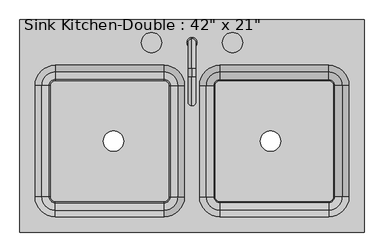
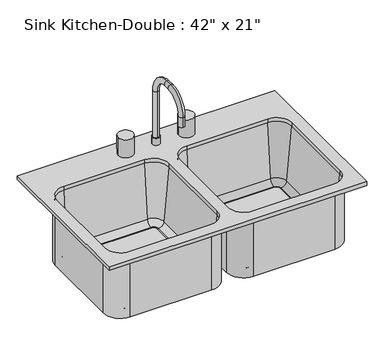
"""IFC4 building model written with IfcOpenShell, lengths in millimetres: flow terminal geometry."""

from ifc_helpers import new_model, si_unit, point, frame, frame_2d, origin, place, context, project, spatial, polyline, circle_curve, ellipse_curve, trimmed, segment, composite_curve, outline, extrude, source, transform, mapped, element, save
from ifc_brep_helpers import plane_surface, cylinder_surface, revolved_surface, advanced_brep


def flow_terminal_63cd025e(model_context):
    return source(origin(), model_context, "Body", "SolidModel", [
        advanced_brep(
        [(2.9892406, 211.8954011, 927.1), (28.3892406, 211.8954011, 927.1), (15.6892406, 221.4204011, 1114.425), (15.6892406, 202.3704011, 1114.425), (15.6892406, 202.3704011, 952.5), (15.6892406, 221.4204011, 952.5), (15.6892406, 148.3954011, 1187.45), (15.6892406, 148.3954011, 1168.4), (15.6892406, 126.1704011, 1187.45), (15.6892406, 126.1704011, 1168.4), (15.6892406, 53.1454011, 1114.425), (15.6892406, 72.1954011, 1114.425), (15.6892406, 53.1454011, 1079.5), (15.6892406, 72.1954011, 1079.5), (2.9892406, 211.8954011, 952.5), (28.3892406, 211.8954011, 952.5)],
        [
            (0, 1, circle_curve(frame((15.6892406, 211.8954011, 927.1), z_axis=(0.0, 0.0, -1.0), x_axis=(1.0, 0.0, 0.0)), 12.7)),
            (1, 0, circle_curve(frame((15.6892406, 211.8954011, 927.1), z_axis=(0.0, 0.0, -1.0), x_axis=(1.0, 0.0, 0.0)), 12.7)),
            (2, 3, circle_curve(frame((15.6892406, 211.8954011, 1114.425), z_axis=(0.0, 0.0, -1.0), x_axis=(0.0, -1.0, 0.0)), 9.525)),
            (3, 4),
            (4, 5, circle_curve(frame((15.6892406, 211.8954011, 952.5), z_axis=(0.0, 0.0, 1.0), x_axis=(0.0, -1.0, 0.0)), 9.525)),
            (5, 2),
            (3, 2, circle_curve(frame((15.6892406, 211.8954011, 1114.425), z_axis=(0.0, 0.0, -1.0), x_axis=(0.0, -1.0, 0.0)), 9.525)),
            (5, 4, circle_curve(frame((15.6892406, 211.8954011, 952.5), z_axis=(0.0, 0.0, 1.0), x_axis=(0.0, -1.0, 0.0)), 9.525)),
            (2, 6, circle_curve(frame((15.6892406, 148.3954011, 1114.425), z_axis=(1.0, 0.0, 0.0), x_axis=(0.0, 1.0, 0.0)), 73.025)),
            (6, 7, circle_curve(frame((15.6892406, 148.3954011, 1177.925), z_axis=(0.0, 1.0, 0.0), x_axis=(0.0, 0.0, -1.0)), 9.525)),
            (7, 3, circle_curve(frame((15.6892406, 148.3954011, 1114.425), z_axis=(-1.0, 0.0, 0.0), x_axis=(0.0, 1.0, 0.0)), 53.975)),
            (7, 6, circle_curve(frame((15.6892406, 148.3954011, 1177.925), z_axis=(0.0, 1.0, 0.0), x_axis=(0.0, 0.0, -1.0)), 9.525)),
            (6, 8),
            (8, 9, circle_curve(frame((15.6892406, 126.1704011, 1177.925), z_axis=(0.0, 1.0, 0.0), x_axis=(0.0, 0.0, -1.0)), 9.525)),
            (9, 7),
            (9, 8, circle_curve(frame((15.6892406, 126.1704011, 1177.925), z_axis=(0.0, 1.0, 0.0), x_axis=(0.0, 0.0, -1.0)), 9.525)),
            (8, 10, circle_curve(frame((15.6892406, 126.1704011, 1114.425), z_axis=(1.0, 0.0, 0.0), x_axis=(0.0, 0.0, 1.0)), 73.025)),
            (10, 11, circle_curve(frame((15.6892406, 62.6704011, 1114.425), z_axis=(0.0, 0.0, 1.0), x_axis=(0.0, 1.0, 0.0)), 9.525)),
            (11, 9, circle_curve(frame((15.6892406, 126.1704011, 1114.425), z_axis=(-1.0, 0.0, 0.0), x_axis=(0.0, 0.0, 1.0)), 53.975)),
            (11, 10, circle_curve(frame((15.6892406, 62.6704011, 1114.425), z_axis=(0.0, 0.0, 1.0), x_axis=(0.0, 1.0, 0.0)), 9.525)),
            (12, 13, circle_curve(frame((15.6892406, 62.6704011, 1079.5), z_axis=(0.0, 0.0, -1.0), x_axis=(0.0, 1.0, 0.0)), 9.525)),
            (13, 12, circle_curve(frame((15.6892406, 62.6704011, 1079.5), z_axis=(0.0, 0.0, -1.0), x_axis=(0.0, 1.0, 0.0)), 9.525)),
            (10, 12),
            (13, 11),
            (14, 15, circle_curve(frame((15.6892406, 211.8954011, 952.5), z_axis=(0.0, 0.0, 1.0), x_axis=(1.0, 0.0, 0.0)), 12.7)),
            (15, 14, circle_curve(frame((15.6892406, 211.8954011, 952.5), z_axis=(0.0, 0.0, 1.0), x_axis=(1.0, 0.0, 0.0)), 12.7)),
            (14, 0),
            (1, 15),
        ],
        [
            plane_surface(frame((15.6892406, 202.3704011, 927.1), z_axis=(0.0, 0.0, -1.0), x_axis=(1.0, 0.0, 0.0))),
            cylinder_surface(frame((15.6892406, 211.8954011, 927.1), z_axis=(0.0, 0.0, -1.0), x_axis=(0.0, -1.0, 0.0)), 9.525),
            revolved_surface(trimmed(ellipse_curve(frame((15.6892406, 211.8954011, 1114.425), z_axis=(0.0, 0.0, -1.0), x_axis=(0.0, -1.0, 0.0)), 9.525, 9.525), [point((15.6892406, 221.4204011, 1114.425))], [point((15.6892406, 202.3704011, 1114.425))], True, "CARTESIAN"), (15.6892406, 148.3954011, 1114.425), (1.0, 0.0, 0.0)),
            revolved_surface(trimmed(ellipse_curve(frame((15.6892406, 211.8954011, 1114.425), z_axis=(0.0, 0.0, -1.0), x_axis=(0.0, -1.0, 0.0)), 9.525, 9.525), [point((15.6892406, 202.3704011, 1114.425))], [point((15.6892406, 221.4204011, 1114.425))], True, "CARTESIAN"), (15.6892406, 148.3954011, 1114.425), (1.0, 0.0, 0.0)),
            cylinder_surface(frame((15.6892406, 148.3954011, 1177.925), z_axis=(0.0, 1.0, 0.0), x_axis=(0.0, 0.0, -1.0)), 9.525),
            revolved_surface(trimmed(ellipse_curve(frame((15.6892406, 126.1704011, 1177.925), z_axis=(0.0, 1.0, 0.0), x_axis=(0.0, 0.0, -1.0)), 9.525, 9.525), [point((15.6892406, 126.1704011, 1187.45))], [point((15.6892406, 126.1704011, 1168.4))], True, "CARTESIAN"), (15.6892406, 126.1704011, 1114.425), (1.0, 0.0, 0.0)),
            revolved_surface(trimmed(ellipse_curve(frame((15.6892406, 126.1704011, 1177.925), z_axis=(0.0, 1.0, 0.0), x_axis=(0.0, 0.0, -1.0)), 9.525, 9.525), [point((15.6892406, 126.1704011, 1168.4))], [point((15.6892406, 126.1704011, 1187.45))], True, "CARTESIAN"), (15.6892406, 126.1704011, 1114.425), (1.0, 0.0, 0.0)),
            plane_surface(frame((15.6892406, 53.1454011, 1079.5), z_axis=(0.0, 0.0, -1.0), x_axis=(-1.0, 0.0, 0.0))),
            cylinder_surface(frame((15.6892406, 62.6704011, 1114.425), z_axis=(0.0, 0.0, 1.0), x_axis=(0.0, 1.0, 0.0)), 9.525),
            plane_surface(frame((28.3892406, 211.8954011, 952.5), z_axis=(0.0, 0.0, 1.0), x_axis=(0.0, 1.0, 0.0))),
            cylinder_surface(frame((15.6892406, 211.8954011, 927.1), z_axis=(0.0, 0.0, 1.0), x_axis=(1.0, 0.0, 0.0)), 12.7),
        ],
        [
            (0, [[1, 2]]),
            (1, [[3, 4, 5, 6]]),
            (1, [[7, -6, 8, -4]]),
            (2, [[-3, 9, 10, 11]]),
            (3, [[-7, -11, 12, -9]]),
            (4, [[-10, 13, 14, 15]]),
            (4, [[-12, -15, 16, -13]]),
            (5, [[-14, 17, 18, 19]]),
            (6, [[-16, -19, 20, -17]]),
            (7, [[21, 22]]),
            (8, [[-18, 23, -22, 24]]),
            (8, [[-20, -24, -21, -23]]),
            (9, [[25, 26], [-5, -8]]),
            (10, [[-25, 27, -2, 28]]),
            (10, [[-26, -28, -1, -27]]),
        ],
    ),
        advanced_brep(
        [(447.4892406, 269.0454011, 927.1), (-416.1107594, 269.0454011, 927.1), (-416.1107594, -264.3545989, 927.1), (447.4892406, -264.3545989, 927.1), (-54.1607594, 154.7454011, 927.1), (-3.3607594, 103.9454011, 927.1), (-3.3607594, -175.4545989, 927.1), (-54.1607594, -226.2545989, 927.1), (-327.2107594, -226.2545989, 927.1), (-378.0107594, -175.4545989, 927.1), (-378.0107594, 103.9454011, 927.1), (-327.2107594, 154.7454011, 927.1), (85.5392406, -226.2545989, 927.1), (34.7392406, -175.4545989, 927.1), (34.7392406, 103.9454011, 927.1), (85.5392406, 154.7454011, 927.1), (358.5892406, 154.7454011, 927.1), (409.3892406, 103.9454011, 927.1), (409.3892406, -175.4545989, 927.1), (358.5892406, -226.2545989, 927.1), (447.4892406, 269.0454011, 914.4), (447.4892406, -264.3545989, 914.4), (-416.1107594, -264.3545989, 914.4), (-416.1107594, 269.0454011, 914.4), (85.5392406, 161.0954011, 914.4), (28.3892406, 103.9454011, 914.4), (28.3892406, -175.4545989, 914.4), (85.5392406, -232.6045989, 914.4), (358.5892406, -232.6045989, 914.4), (415.7392406, -175.4545989, 914.4), (415.7392406, 103.9454011, 914.4), (358.5892406, 161.0954011, 914.4), (2.9892406, 103.9454011, 914.4), (-54.1607594, 161.0954011, 914.4), (-327.2107594, 161.0954011, 914.4), (-384.3607594, 103.9454011, 914.4), (-384.3607594, -175.4545989, 914.4), (-327.2107594, -232.6045989, 914.4), (-54.1607594, -232.6045989, 914.4), (2.9892406, -175.4545989, 914.4), (-54.1607594, 154.7454011, 914.4), (-3.3607594, 103.9454011, 914.4), (-3.3607594, -175.4545989, 914.4), (-54.1607594, -226.2545989, 914.4), (-327.2107594, -226.2545989, 914.4), (-378.0107594, -175.4545989, 914.4), (-378.0107594, 103.9454011, 914.4), (-327.2107594, 154.7454011, 914.4), (85.5392406, -226.2545989, 914.4), (34.7392406, -175.4545989, 914.4), (34.7392406, 103.9454011, 914.4), (85.5392406, 154.7454011, 914.4), (358.5892406, 154.7454011, 914.4), (409.3892406, 103.9454011, 914.4), (409.3892406, -175.4545989, 914.4), (358.5892406, -226.2545989, 914.4), (51.2733134, 103.9454011, 725.4146831), (85.5392406, 138.2113283, 725.4146831), (70.2508224, 103.9454011, 708.025), (85.5392406, 119.2338193, 708.025), (72.8392406, 103.9454011, 708.025), (85.5392406, 116.6454011, 708.025), (72.8392406, 103.9454011, 698.5), (85.5392406, 116.6454011, 698.5), (28.3892406, 103.9454011, 698.5), (85.5392406, 161.0954011, 698.5), (51.2733134, -175.4545989, 725.4146831), (70.2508224, -175.4545989, 708.025), (72.8392406, -175.4545989, 708.025), (72.8392406, -175.4545989, 698.5), (28.3892406, -175.4545989, 698.5), (85.5392406, -209.7205261, 725.4146831), (85.5392406, -190.7430171, 708.025), (85.5392406, -188.1545989, 708.025), (85.5392406, -188.1545989, 698.5), (85.5392406, -232.6045989, 698.5), (358.5892406, -209.7205261, 725.4146831), (358.5892406, -190.7430171, 708.025), (358.5892406, -188.1545989, 708.025), (358.5892406, -188.1545989, 698.5), (358.5892406, -232.6045989, 698.5), (392.8551678, -175.4545989, 725.4146831), (373.8776588, -175.4545989, 708.025), (371.2892406, -175.4545989, 708.025), (371.2892406, -175.4545989, 698.5), (415.7392406, -175.4545989, 698.5), (392.8551678, 103.9454011, 725.4146831), (373.8776588, 103.9454011, 708.025), (371.2892406, 103.9454011, 708.025), (371.2892406, 103.9454011, 698.5), (415.7392406, 103.9454011, 698.5), (358.5892406, 138.2113283, 725.4146831), (358.5892406, 119.2338193, 708.025), (358.5892406, 116.6454011, 708.025), (358.5892406, 116.6454011, 698.5), (358.5892406, 161.0954011, 698.5), (2.9892406, 103.9454011, 698.5), (-54.1607594, 161.0954011, 698.5), (-41.4607594, 103.9454011, 698.5), (-54.1607594, 116.6454011, 698.5), (-41.4607594, 103.9454011, 708.025), (-54.1607594, 116.6454011, 708.025), (-38.8723412, 103.9454011, 708.025), (-54.1607594, 119.2338193, 708.025), (-19.8948322, 103.9454011, 725.4146831), (-54.1607594, 138.2113283, 725.4146831), (2.9892406, -175.4545989, 698.5), (-41.4607594, -175.4545989, 698.5), (-41.4607594, -175.4545989, 708.025), (-38.8723412, -175.4545989, 708.025), (-19.8948322, -175.4545989, 725.4146831), (-54.1607594, -232.6045989, 698.5), (-54.1607594, -188.1545989, 698.5), (-54.1607594, -188.1545989, 708.025), (-54.1607594, -190.7430171, 708.025), (-54.1607594, -209.7205261, 725.4146831), (-327.2107594, -232.6045989, 698.5), (-327.2107594, -188.1545989, 698.5), (-327.2107594, -188.1545989, 708.025), (-327.2107594, -190.7430171, 708.025), (-327.2107594, -209.7205261, 725.4146831), (-384.3607594, -175.4545989, 698.5), (-339.9107594, -175.4545989, 698.5), (-339.9107594, -175.4545989, 708.025), (-342.4991776, -175.4545989, 708.025), (-361.4766866, -175.4545989, 725.4146831), (-384.3607594, 103.9454011, 698.5), (-339.9107594, 103.9454011, 698.5), (-339.9107594, 103.9454011, 708.025), (-342.4991776, 103.9454011, 708.025), (-361.4766866, 103.9454011, 725.4146831), (-327.2107594, 161.0954011, 698.5), (-327.2107594, 116.6454011, 698.5), (-327.2107594, 116.6454011, 708.025), (-327.2107594, 119.2338193, 708.025), (-327.2107594, 138.2113283, 725.4146831)],
        [
            (0, 1),
            (1, 2),
            (2, 3),
            (3, 0),
            (4, 5, circle_curve(frame((-54.1607594, 103.9454011, 927.1), z_axis=(0.0, 0.0, -1.0), x_axis=(1.0, 0.0, 0.0)), 50.8)),
            (5, 6),
            (6, 7, circle_curve(frame((-54.1607594, -175.4545989, 927.1), z_axis=(0.0, 0.0, -1.0), x_axis=(1.0, 0.0, 0.0)), 50.8)),
            (7, 8),
            (8, 9, circle_curve(frame((-327.2107594, -175.4545989, 927.1), z_axis=(0.0, 0.0, -1.0), x_axis=(1.0, 0.0, 0.0)), 50.8)),
            (9, 10),
            (10, 11, circle_curve(frame((-327.2107594, 103.9454011, 927.1), z_axis=(0.0, 0.0, -1.0), x_axis=(1.0, 0.0, 0.0)), 50.8)),
            (11, 4),
            (12, 13, circle_curve(frame((85.5392406, -175.4545989, 927.1), z_axis=(0.0, 0.0, -1.0), x_axis=(1.0, 0.0, 0.0)), 50.8)),
            (13, 14),
            (14, 15, circle_curve(frame((85.5392406, 103.9454011, 927.1), z_axis=(0.0, 0.0, -1.0), x_axis=(1.0, 0.0, 0.0)), 50.8)),
            (15, 16),
            (16, 17, circle_curve(frame((358.5892406, 103.9454011, 927.1), z_axis=(0.0, 0.0, -1.0), x_axis=(1.0, 0.0, 0.0)), 50.8)),
            (17, 18),
            (18, 19, circle_curve(frame((358.5892406, -175.4545989, 927.1), z_axis=(0.0, 0.0, -1.0), x_axis=(1.0, 0.0, 0.0)), 50.8)),
            (19, 12),
            (20, 21),
            (21, 22),
            (22, 23),
            (23, 20),
            (24, 25, circle_curve(frame((85.5392406, 103.9454011, 914.4), z_axis=(0.0, 0.0, 1.0), x_axis=(0.0, 1.0, 0.0)), 57.15)),
            (25, 26),
            (26, 27, circle_curve(frame((85.5392406, -175.4545989, 914.4), z_axis=(0.0, 0.0, 1.0), x_axis=(-1.0, 0.0, 0.0)), 57.15)),
            (27, 28),
            (28, 29, circle_curve(frame((358.5892406, -175.4545989, 914.4), z_axis=(0.0, 0.0, 1.0), x_axis=(0.0, -1.0, 0.0)), 57.15)),
            (29, 30),
            (30, 31, circle_curve(frame((358.5892406, 103.9454011, 914.4), z_axis=(0.0, 0.0, 1.0), x_axis=(1.0, 0.0, 0.0)), 57.15)),
            (31, 24),
            (32, 33, circle_curve(frame((-54.1607594, 103.9454011, 914.4), z_axis=(0.0, 0.0, 1.0), x_axis=(0.0, 1.0, 0.0)), 57.15)),
            (33, 34),
            (34, 35, circle_curve(frame((-327.2107594, 103.9454011, 914.4), z_axis=(0.0, 0.0, 1.0), x_axis=(-1.0, 0.0, 0.0)), 57.15)),
            (35, 36),
            (36, 37, circle_curve(frame((-327.2107594, -175.4545989, 914.4), z_axis=(0.0, 0.0, 1.0), x_axis=(0.0, -1.0, 0.0)), 57.15)),
            (37, 38),
            (38, 39, circle_curve(frame((-54.1607594, -175.4545989, 914.4), z_axis=(0.0, 0.0, 1.0), x_axis=(1.0, 0.0, 0.0)), 57.15)),
            (39, 32),
            (0, 20),
            (23, 1),
            (22, 2),
            (21, 3),
            (4, 40),
            (40, 41, circle_curve(frame((-54.1607594, 103.9454011, 914.4), z_axis=(0.0, 0.0, -1.0), x_axis=(1.0, 0.0, 0.0)), 50.8)),
            (41, 5),
            (41, 42),
            (42, 6),
            (42, 43, circle_curve(frame((-54.1607594, -175.4545989, 914.4), z_axis=(0.0, 0.0, -1.0), x_axis=(1.0, 0.0, 0.0)), 50.8)),
            (43, 7),
            (43, 44),
            (44, 8),
            (44, 45, circle_curve(frame((-327.2107594, -175.4545989, 914.4), z_axis=(0.0, 0.0, -1.0), x_axis=(1.0, 0.0, 0.0)), 50.8)),
            (45, 9),
            (45, 46),
            (46, 10),
            (46, 47, circle_curve(frame((-327.2107594, 103.9454011, 914.4), z_axis=(0.0, 0.0, -1.0), x_axis=(1.0, 0.0, 0.0)), 50.8)),
            (47, 11),
            (47, 40),
            (12, 48),
            (48, 49, circle_curve(frame((85.5392406, -175.4545989, 914.4), z_axis=(0.0, 0.0, -1.0), x_axis=(1.0, 0.0, 0.0)), 50.8)),
            (49, 13),
            (49, 50),
            (50, 14),
            (50, 51, circle_curve(frame((85.5392406, 103.9454011, 914.4), z_axis=(0.0, 0.0, -1.0), x_axis=(1.0, 0.0, 0.0)), 50.8)),
            (51, 15),
            (51, 52),
            (52, 16),
            (52, 53, circle_curve(frame((358.5892406, 103.9454011, 914.4), z_axis=(0.0, 0.0, -1.0), x_axis=(1.0, 0.0, 0.0)), 50.8)),
            (53, 17),
            (53, 54),
            (54, 18),
            (54, 55, circle_curve(frame((358.5892406, -175.4545989, 914.4), z_axis=(0.0, 0.0, -1.0), x_axis=(1.0, 0.0, 0.0)), 50.8)),
            (55, 19),
            (55, 48),
            (56, 57, circle_curve(frame((85.5392406, 103.9454011, 725.4146831), z_axis=(0.0, 0.0, -1.0), x_axis=(0.0, 1.0, 0.0)), 34.2659272)),
            (57, 51),
            (50, 56),
            (56, 58, circle_curve(frame((70.2508224, 103.9454011, 727.075), z_axis=(0.0, -1.0, 0.0), x_axis=(1.0, 0.0, 0.0)), 19.05)),
            (58, 59, circle_curve(frame((85.5392406, 103.9454011, 708.025), z_axis=(0.0, 0.0, -1.0), x_axis=(0.0, 1.0, 0.0)), 15.2884182)),
            (59, 57, circle_curve(frame((85.5392406, 119.2338193, 727.075), z_axis=(1.0, 0.0, 0.0), x_axis=(0.0, -1.0, 0.0)), 19.05)),
            (58, 60),
            (60, 61, circle_curve(frame((85.5392406, 103.9454011, 708.025), z_axis=(0.0, 0.0, -1.0), x_axis=(0.0, 1.0, 0.0)), 12.7)),
            (61, 59),
            (60, 62),
            (62, 63, circle_curve(frame((85.5392406, 103.9454011, 698.5), z_axis=(0.0, 0.0, -1.0), x_axis=(0.0, 1.0, 0.0)), 12.7)),
            (63, 61),
            (62, 64),
            (64, 65, circle_curve(frame((85.5392406, 103.9454011, 698.5), z_axis=(0.0, 0.0, -1.0), x_axis=(0.0, 1.0, 0.0)), 57.15)),
            (65, 63),
            (64, 25),
            (24, 65),
            (49, 66),
            (66, 56),
            (66, 67, circle_curve(frame((70.2508224, -175.4545989, 727.075), z_axis=(0.0, -1.0, 0.0), x_axis=(1.0, 0.0, 0.0)), 19.05)),
            (67, 58),
            (67, 68),
            (68, 60),
            (68, 69),
            (69, 62),
            (69, 70),
            (70, 64),
            (70, 26),
            (48, 71),
            (71, 66, circle_curve(frame((85.5392406, -175.4545989, 725.4146831), z_axis=(0.0, 0.0, -1.0), x_axis=(-1.0, 0.0, 0.0)), 34.2659272)),
            (71, 72, circle_curve(frame((85.5392406, -190.7430171, 727.075), z_axis=(1.0, 0.0, 0.0), x_axis=(0.0, 1.0, 0.0)), 19.05)),
            (72, 67, circle_curve(frame((85.5392406, -175.4545989, 708.025), z_axis=(0.0, 0.0, -1.0), x_axis=(-1.0, 0.0, 0.0)), 15.2884182)),
            (72, 73),
            (73, 68, circle_curve(frame((85.5392406, -175.4545989, 708.025), z_axis=(0.0, 0.0, -1.0), x_axis=(-1.0, 0.0, 0.0)), 12.7)),
            (73, 74),
            (74, 69, circle_curve(frame((85.5392406, -175.4545989, 698.5), z_axis=(0.0, 0.0, -1.0), x_axis=(-1.0, 0.0, 0.0)), 12.7)),
            (74, 75),
            (75, 70, circle_curve(frame((85.5392406, -175.4545989, 698.5), z_axis=(0.0, 0.0, -1.0), x_axis=(-1.0, 0.0, 0.0)), 57.15)),
            (75, 27),
            (55, 76),
            (76, 71),
            (76, 77, circle_curve(frame((358.5892406, -190.7430171, 727.075), z_axis=(1.0, 0.0, 0.0), x_axis=(0.0, 1.0, 0.0)), 19.05)),
            (77, 72),
            (77, 78),
            (78, 73),
            (78, 79),
            (79, 74),
            (79, 80),
            (80, 75),
            (80, 28),
            (54, 81),
            (81, 76, circle_curve(frame((358.5892406, -175.4545989, 725.4146831), z_axis=(0.0, 0.0, -1.0), x_axis=(0.0, -1.0, 0.0)), 34.2659272)),
            (81, 82, circle_curve(frame((373.8776588, -175.4545989, 727.075), z_axis=(0.0, 1.0, 0.0), x_axis=(-1.0, 0.0, 0.0)), 19.05)),
            (82, 77, circle_curve(frame((358.5892406, -175.4545989, 708.025), z_axis=(0.0, 0.0, -1.0), x_axis=(0.0, -1.0, 0.0)), 15.2884182)),
            (82, 83),
            (83, 78, circle_curve(frame((358.5892406, -175.4545989, 708.025), z_axis=(0.0, 0.0, -1.0), x_axis=(0.0, -1.0, 0.0)), 12.7)),
            (83, 84),
            (84, 79, circle_curve(frame((358.5892406, -175.4545989, 698.5), z_axis=(0.0, 0.0, -1.0), x_axis=(0.0, -1.0, 0.0)), 12.7)),
            (84, 85),
            (85, 80, circle_curve(frame((358.5892406, -175.4545989, 698.5), z_axis=(0.0, 0.0, -1.0), x_axis=(0.0, -1.0, 0.0)), 57.15)),
            (85, 29),
            (53, 86),
            (86, 81),
            (86, 87, circle_curve(frame((373.8776588, 103.9454011, 727.075), z_axis=(0.0, 1.0, 0.0), x_axis=(-1.0, 0.0, 0.0)), 19.05)),
            (87, 82),
            (87, 88),
            (88, 83),
            (88, 89),
            (89, 84),
            (89, 90),
            (90, 85),
            (90, 30),
            (52, 91),
            (91, 86, circle_curve(frame((358.5892406, 103.9454011, 725.4146831), z_axis=(0.0, 0.0, -1.0), x_axis=(1.0, 0.0, 0.0)), 34.2659272)),
            (91, 92, circle_curve(frame((358.5892406, 119.2338193, 727.075), z_axis=(-1.0, 0.0, 0.0), x_axis=(0.0, -1.0, 0.0)), 19.05)),
            (92, 87, circle_curve(frame((358.5892406, 103.9454011, 708.025), z_axis=(0.0, 0.0, -1.0), x_axis=(1.0, 0.0, 0.0)), 15.2884182)),
            (92, 93),
            (93, 88, circle_curve(frame((358.5892406, 103.9454011, 708.025), z_axis=(0.0, 0.0, -1.0), x_axis=(1.0, 0.0, 0.0)), 12.7)),
            (93, 94),
            (94, 89, circle_curve(frame((358.5892406, 103.9454011, 698.5), z_axis=(0.0, 0.0, -1.0), x_axis=(1.0, 0.0, 0.0)), 12.7)),
            (94, 95),
            (95, 90, circle_curve(frame((358.5892406, 103.9454011, 698.5), z_axis=(0.0, 0.0, -1.0), x_axis=(1.0, 0.0, 0.0)), 57.15)),
            (95, 31),
            (57, 91),
            (59, 92),
            (61, 93),
            (63, 94),
            (65, 95),
            (96, 97, circle_curve(frame((-54.1607594, 103.9454011, 698.5), z_axis=(0.0, 0.0, 1.0), x_axis=(0.0, 1.0, 0.0)), 57.15)),
            (97, 33),
            (32, 96),
            (96, 98),
            (98, 99, circle_curve(frame((-54.1607594, 103.9454011, 698.5), z_axis=(0.0, 0.0, 1.0), x_axis=(0.0, 1.0, 0.0)), 12.7)),
            (99, 97),
            (98, 100),
            (100, 101, circle_curve(frame((-54.1607594, 103.9454011, 708.025), z_axis=(0.0, 0.0, 1.0), x_axis=(0.0, 1.0, 0.0)), 12.7)),
            (101, 99),
            (100, 102),
            (102, 103, circle_curve(frame((-54.1607594, 103.9454011, 708.025), z_axis=(0.0, 0.0, 1.0), x_axis=(0.0, 1.0, 0.0)), 15.2884182)),
            (103, 101),
            (102, 104, circle_curve(frame((-38.8723412, 103.9454011, 727.075), z_axis=(0.0, -1.0, 0.0), x_axis=(1.0, 0.0, 0.0)), 19.05)),
            (104, 105, circle_curve(frame((-54.1607594, 103.9454011, 725.4146831), z_axis=(0.0, 0.0, 1.0), x_axis=(0.0, 1.0, 0.0)), 34.2659272)),
            (105, 103, circle_curve(frame((-54.1607594, 119.2338193, 727.075), z_axis=(-1.0, 0.0, 0.0), x_axis=(0.0, 1.0, 0.0)), 19.05)),
            (104, 41),
            (40, 105),
            (39, 106),
            (106, 96),
            (106, 107),
            (107, 98),
            (107, 108),
            (108, 100),
            (108, 109),
            (109, 102),
            (109, 110, circle_curve(frame((-38.8723412, -175.4545989, 727.075), z_axis=(0.0, -1.0, 0.0), x_axis=(1.0, 0.0, 0.0)), 19.05)),
            (110, 104),
            (110, 42),
            (38, 111),
            (111, 106, circle_curve(frame((-54.1607594, -175.4545989, 698.5), z_axis=(0.0, 0.0, 1.0), x_axis=(1.0, 0.0, 0.0)), 57.15)),
            (111, 112),
            (112, 107, circle_curve(frame((-54.1607594, -175.4545989, 698.5), z_axis=(0.0, 0.0, 1.0), x_axis=(1.0, 0.0, 0.0)), 12.7)),
            (112, 113),
            (113, 108, circle_curve(frame((-54.1607594, -175.4545989, 708.025), z_axis=(0.0, 0.0, 1.0), x_axis=(1.0, 0.0, 0.0)), 12.7)),
            (113, 114),
            (114, 109, circle_curve(frame((-54.1607594, -175.4545989, 708.025), z_axis=(0.0, 0.0, 1.0), x_axis=(1.0, 0.0, 0.0)), 15.2884182)),
            (114, 115, circle_curve(frame((-54.1607594, -190.7430171, 727.075), z_axis=(-1.0, 0.0, 0.0), x_axis=(0.0, -1.0, 0.0)), 19.05)),
            (115, 110, circle_curve(frame((-54.1607594, -175.4545989, 725.4146831), z_axis=(0.0, 0.0, 1.0), x_axis=(1.0, 0.0, 0.0)), 34.2659272)),
            (115, 43),
            (37, 116),
            (116, 111),
            (116, 117),
            (117, 112),
            (117, 118),
            (118, 113),
            (118, 119),
            (119, 114),
            (119, 120, circle_curve(frame((-327.2107594, -190.7430171, 727.075), z_axis=(-1.0, 0.0, 0.0), x_axis=(0.0, -1.0, 0.0)), 19.05)),
            (120, 115),
            (120, 44),
            (36, 121),
            (121, 116, circle_curve(frame((-327.2107594, -175.4545989, 698.5), z_axis=(0.0, 0.0, 1.0), x_axis=(0.0, -1.0, 0.0)), 57.15)),
            (121, 122),
            (122, 117, circle_curve(frame((-327.2107594, -175.4545989, 698.5), z_axis=(0.0, 0.0, 1.0), x_axis=(0.0, -1.0, 0.0)), 12.7)),
            (122, 123),
            (123, 118, circle_curve(frame((-327.2107594, -175.4545989, 708.025), z_axis=(0.0, 0.0, 1.0), x_axis=(0.0, -1.0, 0.0)), 12.7)),
            (123, 124),
            (124, 119, circle_curve(frame((-327.2107594, -175.4545989, 708.025), z_axis=(0.0, 0.0, 1.0), x_axis=(0.0, -1.0, 0.0)), 15.2884182)),
            (124, 125, circle_curve(frame((-342.4991776, -175.4545989, 727.075), z_axis=(0.0, 1.0, 0.0), x_axis=(-1.0, 0.0, 0.0)), 19.05)),
            (125, 120, circle_curve(frame((-327.2107594, -175.4545989, 725.4146831), z_axis=(0.0, 0.0, 1.0), x_axis=(0.0, -1.0, 0.0)), 34.2659272)),
            (125, 45),
            (35, 126),
            (126, 121),
            (126, 127),
            (127, 122),
            (127, 128),
            (128, 123),
            (128, 129),
            (129, 124),
            (129, 130, circle_curve(frame((-342.4991776, 103.9454011, 727.075), z_axis=(0.0, 1.0, 0.0), x_axis=(-1.0, 0.0, 0.0)), 19.05)),
            (130, 125),
            (130, 46),
            (34, 131),
            (131, 126, circle_curve(frame((-327.2107594, 103.9454011, 698.5), z_axis=(0.0, 0.0, 1.0), x_axis=(-1.0, 0.0, 0.0)), 57.15)),
            (131, 132),
            (132, 127, circle_curve(frame((-327.2107594, 103.9454011, 698.5), z_axis=(0.0, 0.0, 1.0), x_axis=(-1.0, 0.0, 0.0)), 12.7)),
            (132, 133),
            (133, 128, circle_curve(frame((-327.2107594, 103.9454011, 708.025), z_axis=(0.0, 0.0, 1.0), x_axis=(-1.0, 0.0, 0.0)), 12.7)),
            (133, 134),
            (134, 129, circle_curve(frame((-327.2107594, 103.9454011, 708.025), z_axis=(0.0, 0.0, 1.0), x_axis=(-1.0, 0.0, 0.0)), 15.2884182)),
            (134, 135, circle_curve(frame((-327.2107594, 119.2338193, 727.075), z_axis=(1.0, 0.0, 0.0), x_axis=(0.0, 1.0, 0.0)), 19.05)),
            (135, 130, circle_curve(frame((-327.2107594, 103.9454011, 725.4146831), z_axis=(0.0, 0.0, 1.0), x_axis=(-1.0, 0.0, 0.0)), 34.2659272)),
            (135, 47),
            (97, 131),
            (99, 132),
            (101, 133),
            (103, 134),
            (105, 135),
        ],
        [
            plane_surface(frame((-416.1107594, 269.0454011, 927.1), z_axis=(0.0, 0.0, 1.0), x_axis=(-1.0, 0.0, 0.0))),
            plane_surface(frame((-416.1107594, 269.0454011, 914.4), z_axis=(0.0, 0.0, -1.0), x_axis=(1.0, 0.0, 0.0))),
            plane_surface(frame((447.4892406, 269.0454011, 927.1), z_axis=(0.0, 1.0, 0.0), x_axis=(0.0, 0.0, -1.0))),
            plane_surface(frame((-416.1107594, 269.0454011, 927.1), z_axis=(-1.0, 0.0, 0.0), x_axis=(0.0, 0.0, -1.0))),
            plane_surface(frame((-416.1107594, -264.3545989, 927.1), z_axis=(0.0, -1.0, 0.0), x_axis=(0.0, 0.0, -1.0))),
            plane_surface(frame((447.4892406, -264.3545989, 927.1), z_axis=(1.0, 0.0, 0.0), x_axis=(0.0, 0.0, -1.0))),
            revolved_surface(polyline([(-3.3607594000000063, 103.9454011, 914.4), (-3.3607594000000063, 103.9454011, 927.1)]), (-54.1607594, 103.9454011, 0.0), (0.0, 0.0, -1.0)),
            plane_surface(frame((-3.3607594, 103.9454011, 927.1), z_axis=(-1.0, 0.0, 0.0), x_axis=(0.0, 0.0, -1.0))),
            revolved_surface(polyline([(-3.3607594000000063, -175.4545989, 914.4), (-3.3607594000000063, -175.4545989, 927.1)]), (-54.1607594, -175.4545989, 0.0), (0.0, 0.0, -1.0)),
            plane_surface(frame((-54.1607594, -226.2545989, 927.1), z_axis=(0.0, 1.0, 0.0), x_axis=(0.0, 0.0, -1.0))),
            revolved_surface(polyline([(-276.41075939999996, -175.4545989, 914.4), (-276.41075939999996, -175.4545989, 927.1)]), (-327.2107594, -175.4545989, 0.0), (0.0, 0.0, -1.0)),
            plane_surface(frame((-378.0107594, -175.4545989, 927.1), z_axis=(1.0, 0.0, 0.0), x_axis=(0.0, 0.0, -1.0))),
            revolved_surface(polyline([(-276.41075939999996, 103.9454011, 914.4), (-276.41075939999996, 103.9454011, 927.1)]), (-327.2107594, 103.9454011, 0.0), (0.0, 0.0, -1.0)),
            plane_surface(frame((-327.2107594, 154.7454011, 927.1), z_axis=(0.0, -1.0, 0.0), x_axis=(0.0, 0.0, -1.0))),
            revolved_surface(polyline([(136.33924059999998, -175.4545989, 914.4), (136.33924059999998, -175.4545989, 927.1)]), (85.5392406, -175.4545989, 0.0), (0.0, 0.0, -1.0)),
            plane_surface(frame((34.7392406, -175.4545989, 927.1), z_axis=(1.0, 0.0, 0.0), x_axis=(0.0, 0.0, -1.0))),
            revolved_surface(polyline([(136.33924059999998, 103.9454011, 914.4), (136.33924059999998, 103.9454011, 927.1)]), (85.5392406, 103.9454011, 0.0), (0.0, 0.0, -1.0)),
            plane_surface(frame((85.5392406, 154.7454011, 927.1), z_axis=(0.0, -1.0, 0.0), x_axis=(0.0, 0.0, -1.0))),
            revolved_surface(polyline([(409.3892406, 103.9454011, 914.4), (409.3892406, 103.9454011, 927.1)]), (358.5892406, 103.9454011, 0.0), (0.0, 0.0, -1.0)),
            plane_surface(frame((409.3892406, 103.9454011, 927.1), z_axis=(-1.0, 0.0, 0.0), x_axis=(0.0, 0.0, -1.0))),
            revolved_surface(polyline([(409.3892406, -175.4545989, 914.4), (409.3892406, -175.4545989, 927.1)]), (358.5892406, -175.4545989, 0.0), (0.0, 0.0, -1.0)),
            plane_surface(frame((358.5892406, -226.2545989, 927.1), z_axis=(0.0, 1.0, 0.0), x_axis=(0.0, 0.0, -1.0))),
            revolved_surface(polyline([(85.5392406, 154.7454011, 914.4), (85.5392406, 138.2113283, 725.4146831)]), (85.5392406, 103.9454011, 0.0), (0.0, 0.0, 1.0)),
            revolved_surface(trimmed(ellipse_curve(frame((85.5392406, 119.2338193, 727.075), z_axis=(-1.0, 0.0, 0.0), x_axis=(0.0, -1.0, 0.0)), 19.05, 19.05), [point((85.5392406, 138.2113283, 725.4146831))], [point((85.5392406, 119.2338193, 708.025))], True, "CARTESIAN"), (85.5392406, 103.9454011, 0.0), (0.0, 0.0, 1.0)),
            plane_surface(frame((85.5392406, 103.9454011, 708.025), z_axis=(0.0, 0.0, 1.0), x_axis=(0.0, 1.0, 0.0))),
            revolved_surface(polyline([(85.5392406, 116.6454011, 708.025), (85.5392406, 116.6454011, 698.5)]), (85.5392406, 103.9454011, 0.0), (0.0, 0.0, 1.0)),
            plane_surface(frame((85.5392406, 103.9454011, 698.5), z_axis=(0.0, 0.0, -1.0), x_axis=(0.0, 1.0, 0.0))),
            cylinder_surface(frame((85.5392406, 103.9454011, 0.0), z_axis=(0.0, 0.0, 1.0), x_axis=(0.0, 1.0, 0.0)), 57.15),
            plane_surface(frame((34.7392406, 103.9454011, 914.4), z_axis=(0.996194698091745, 0.0, 0.08715574274766508), x_axis=(0.0, -1.0, 0.0))),
            revolved_surface(polyline([(89.3008224, -175.45459889999998, 727.075), (89.3008224, 103.9454011, 727.075)]), (70.2508224, 103.9454011, 727.075), (0.0, -1.0, 0.0)),
            plane_surface(frame((70.2508224, 103.9454011, 708.025), z_axis=(0.0, 0.0, 1.0), x_axis=(0.0, -1.0, 0.0))),
            plane_surface(frame((72.8392406, 103.9454011, 708.025), z_axis=(1.0, 0.0, 0.0), x_axis=(0.0, -1.0, 0.0))),
            plane_surface(frame((72.8392406, 103.9454011, 698.5), z_axis=(0.0, 0.0, -1.0), x_axis=(0.0, -1.0, 0.0))),
            plane_surface(frame((28.3892406, 103.9454011, 698.5), z_axis=(-1.0, 0.0, 0.0), x_axis=(0.0, -1.0, 0.0))),
            revolved_surface(polyline([(34.7392406, -175.4545989, 914.4), (51.2733134, -175.4545989, 725.4146831)]), (85.5392406, -175.4545989, 0.0), (0.0, 0.0, 1.0)),
            revolved_surface(trimmed(ellipse_curve(frame((70.2508224, -175.4545989, 727.075), z_axis=(0.0, -1.0, 0.0), x_axis=(1.0, 0.0, 0.0)), 19.05, 19.05), [point((51.2733134, -175.4545989, 725.4146831))], [point((70.2508224, -175.4545989, 708.025))], True, "CARTESIAN"), (85.5392406, -175.4545989, 0.0), (0.0, 0.0, 1.0)),
            plane_surface(frame((85.5392406, -175.4545989, 708.025), z_axis=(0.0, 0.0, 1.0), x_axis=(-1.0, 0.0, 0.0))),
            revolved_surface(polyline([(72.8392406, -175.4545989, 708.025), (72.8392406, -175.4545989, 698.5)]), (85.5392406, -175.4545989, 0.0), (0.0, 0.0, 1.0)),
            plane_surface(frame((85.5392406, -175.4545989, 698.5), z_axis=(0.0, 0.0, -1.0), x_axis=(-1.0, 0.0, 0.0))),
            cylinder_surface(frame((85.5392406, -175.4545989, 0.0), z_axis=(0.0, 0.0, 1.0), x_axis=(-1.0, 0.0, 0.0)), 57.15),
            plane_surface(frame((85.5392406, -226.2545989, 914.4), z_axis=(0.0, 0.996194698091745, 0.08715574274766508), x_axis=(1.0, 0.0, 0.0))),
            revolved_surface(polyline([(358.5892405999999, -171.6930171, 727.075), (85.5392406, -171.6930171, 727.075)]), (85.5392406, -190.7430171, 727.075), (1.0, 0.0, 0.0)),
            plane_surface(frame((85.5392406, -190.7430171, 708.025), z_axis=(0.0, 0.0, 1.0), x_axis=(1.0, 0.0, 0.0))),
            plane_surface(frame((85.5392406, -188.1545989, 708.025), z_axis=(0.0, 1.0, 0.0), x_axis=(1.0, 0.0, 0.0))),
            plane_surface(frame((85.5392406, -188.1545989, 698.5), z_axis=(0.0, 0.0, -1.0), x_axis=(1.0, 0.0, 0.0))),
            plane_surface(frame((85.5392406, -232.6045989, 698.5), z_axis=(0.0, -1.0, 0.0), x_axis=(1.0, 0.0, 0.0))),
            revolved_surface(polyline([(358.5892406, -226.2545989, 914.4), (358.5892406, -209.7205261, 725.4146831)]), (358.5892406, -175.4545989, 0.0), (0.0, 0.0, 1.0)),
            revolved_surface(trimmed(ellipse_curve(frame((358.5892406, -190.7430171, 727.075), z_axis=(1.0, 0.0, 0.0), x_axis=(0.0, 1.0, 0.0)), 19.05, 19.05), [point((358.5892406, -209.7205261, 725.4146831))], [point((358.5892406, -190.7430171, 708.025))], True, "CARTESIAN"), (358.5892406, -175.4545989, 0.0), (0.0, 0.0, 1.0)),
            plane_surface(frame((358.5892406, -175.4545989, 708.025), z_axis=(0.0, 0.0, 1.0), x_axis=(0.0, -1.0, 0.0))),
            revolved_surface(polyline([(358.5892406, -188.1545989, 708.025), (358.5892406, -188.1545989, 698.5)]), (358.5892406, -175.4545989, 0.0), (0.0, 0.0, 1.0)),
            plane_surface(frame((358.5892406, -175.4545989, 698.5), z_axis=(0.0, 0.0, -1.0), x_axis=(0.0, -1.0, 0.0))),
            cylinder_surface(frame((358.5892406, -175.4545989, 0.0), z_axis=(0.0, 0.0, 1.0), x_axis=(0.0, -1.0, 0.0)), 57.15),
            plane_surface(frame((409.3892406, -175.4545989, 914.4), z_axis=(-0.996194698091745, 0.0, 0.08715574274766508), x_axis=(0.0, 1.0, 0.0))),
            revolved_surface(polyline([(354.8276588, 103.94540109999997, 727.075), (354.8276588, -175.4545989, 727.075)]), (373.8776588, -175.4545989, 727.075), (0.0, 1.0, 0.0)),
            plane_surface(frame((373.8776588, -175.4545989, 708.025), z_axis=(0.0, 0.0, 1.0), x_axis=(0.0, 1.0, 0.0))),
            plane_surface(frame((371.2892406, -175.4545989, 708.025), z_axis=(-1.0, 0.0, 0.0), x_axis=(0.0, 1.0, 0.0))),
            plane_surface(frame((371.2892406, -175.4545989, 698.5), z_axis=(0.0, 0.0, -1.0), x_axis=(0.0, 1.0, 0.0))),
            plane_surface(frame((415.7392406, -175.4545989, 698.5), z_axis=(1.0, 0.0, 0.0), x_axis=(0.0, 1.0, 0.0))),
            revolved_surface(polyline([(409.3892406, 103.9454011, 914.4), (392.8551678, 103.9454011, 725.4146831)]), (358.5892406, 103.9454011, 0.0), (0.0, 0.0, 1.0)),
            revolved_surface(trimmed(ellipse_curve(frame((373.8776588, 103.9454011, 727.075), z_axis=(0.0, 1.0, 0.0), x_axis=(-1.0, 0.0, 0.0)), 19.05, 19.05), [point((392.8551678, 103.9454011, 725.4146831))], [point((373.8776588, 103.9454011, 708.025))], True, "CARTESIAN"), (358.5892406, 103.9454011, 0.0), (0.0, 0.0, 1.0)),
            plane_surface(frame((358.5892406, 103.9454011, 708.025), z_axis=(0.0, 0.0, 1.0), x_axis=(1.0, 0.0, 0.0))),
            revolved_surface(polyline([(371.28924059999997, 103.9454011, 708.025), (371.28924059999997, 103.9454011, 698.5)]), (358.5892406, 103.9454011, 0.0), (0.0, 0.0, 1.0)),
            plane_surface(frame((358.5892406, 103.9454011, 698.5), z_axis=(0.0, 0.0, -1.0), x_axis=(1.0, 0.0, 0.0))),
            cylinder_surface(frame((358.5892406, 103.9454011, 0.0), z_axis=(0.0, 0.0, 1.0), x_axis=(1.0, 0.0, 0.0)), 57.15),
            plane_surface(frame((358.5892406, 154.7454011, 914.4), z_axis=(0.0, -0.996194698091745, 0.08715574274766508), x_axis=(-1.0, 0.0, 0.0))),
            revolved_surface(polyline([(85.53924060000003, 100.1838193, 727.075), (358.5892406, 100.1838193, 727.075)]), (358.5892406, 119.2338193, 727.075), (-1.0, 0.0, 0.0)),
            plane_surface(frame((358.5892406, 119.2338193, 708.025), z_axis=(0.0, 0.0, 1.0), x_axis=(-1.0, 0.0, 0.0))),
            plane_surface(frame((358.5892406, 116.6454011, 708.025), z_axis=(0.0, -1.0, 0.0), x_axis=(-1.0, 0.0, 0.0))),
            plane_surface(frame((358.5892406, 116.6454011, 698.5), z_axis=(0.0, 0.0, -1.0), x_axis=(-1.0, 0.0, 0.0))),
            plane_surface(frame((358.5892406, 161.0954011, 698.5), z_axis=(0.0, 1.0, 0.0), x_axis=(-1.0, 0.0, 0.0))),
            cylinder_surface(frame((-54.1607594, 103.9454011, 0.0), z_axis=(0.0, 0.0, -1.0), x_axis=(0.0, 1.0, 0.0)), 57.15),
            plane_surface(frame((-54.1607594, 103.9454011, 698.5), z_axis=(0.0, 0.0, -1.0), x_axis=(0.0, 1.0, 0.0))),
            revolved_surface(polyline([(-54.1607594, 116.6454011, 698.5), (-54.1607594, 116.6454011, 708.025)]), (-54.1607594, 103.9454011, 0.0), (0.0, 0.0, -1.0)),
            plane_surface(frame((-54.1607594, 103.9454011, 708.025), z_axis=(0.0, 0.0, 1.0), x_axis=(0.0, 1.0, 0.0))),
            revolved_surface(trimmed(ellipse_curve(frame((-54.1607594, 119.2338193, 727.075), z_axis=(1.0, 0.0, 0.0), x_axis=(0.0, 1.0, 0.0)), 19.05, 19.05), [point((-54.1607594, 119.2338193, 708.025))], [point((-54.1607594, 138.2113283, 725.4146831))], True, "CARTESIAN"), (-54.1607594, 103.9454011, 0.0), (0.0, 0.0, -1.0)),
            revolved_surface(polyline([(-54.1607594, 138.2113283, 725.4146831), (-54.1607594, 154.7454011, 914.4)]), (-54.1607594, 103.9454011, 0.0), (0.0, 0.0, -1.0)),
            plane_surface(frame((2.9892406, 103.9454011, 914.4), z_axis=(1.0, 0.0, 0.0), x_axis=(0.0, -1.0, 0.0))),
            plane_surface(frame((2.9892406, 103.9454011, 698.5), z_axis=(0.0, 0.0, -1.0), x_axis=(0.0, -1.0, 0.0))),
            plane_surface(frame((-41.4607594, 103.9454011, 698.5), z_axis=(-1.0, 0.0, 0.0), x_axis=(0.0, -1.0, 0.0))),
            plane_surface(frame((-41.4607594, 103.9454011, 708.025), z_axis=(0.0, 0.0, 1.0), x_axis=(0.0, -1.0, 0.0))),
            revolved_surface(polyline([(-19.8223412, -175.45459889999998, 727.075), (-19.8223412, 103.9454011, 727.075)]), (-38.8723412, 103.9454011, 727.075), (0.0, -1.0, 0.0)),
            plane_surface(frame((-19.8948322, 103.9454011, 725.4146831), z_axis=(-0.9961946980917439, 0.0, 0.08715574274767722), x_axis=(0.0, -1.0, 0.0))),
            cylinder_surface(frame((-54.1607594, -175.4545989, 0.0), z_axis=(0.0, 0.0, -1.0), x_axis=(1.0, 0.0, 0.0)), 57.15),
            plane_surface(frame((-54.1607594, -175.4545989, 698.5), z_axis=(0.0, 0.0, -1.0), x_axis=(1.0, 0.0, 0.0))),
            revolved_surface(polyline([(-41.4607594, -175.4545989, 698.5), (-41.4607594, -175.4545989, 708.025)]), (-54.1607594, -175.4545989, 0.0), (0.0, 0.0, -1.0)),
            plane_surface(frame((-54.1607594, -175.4545989, 708.025), z_axis=(0.0, 0.0, 1.0), x_axis=(1.0, 0.0, 0.0))),
            revolved_surface(trimmed(ellipse_curve(frame((-38.8723412, -175.4545989, 727.075), z_axis=(0.0, -1.0, 0.0), x_axis=(1.0, 0.0, 0.0)), 19.05, 19.05), [point((-38.8723412, -175.4545989, 708.025))], [point((-19.8948322, -175.4545989, 725.4146831))], True, "CARTESIAN"), (-54.1607594, -175.4545989, 0.0), (0.0, 0.0, -1.0)),
            revolved_surface(polyline([(-19.8948322, -175.4545989, 725.4146831), (-3.3607594, -175.4545989, 914.4)]), (-54.1607594, -175.4545989, 0.0), (0.0, 0.0, -1.0)),
            plane_surface(frame((-54.1607594, -232.6045989, 914.4), z_axis=(0.0, -1.0, 0.0), x_axis=(-1.0, 0.0, 0.0))),
            plane_surface(frame((-54.1607594, -232.6045989, 698.5), z_axis=(0.0, 0.0, -1.0), x_axis=(-1.0, 0.0, 0.0))),
            plane_surface(frame((-54.1607594, -188.1545989, 698.5), z_axis=(0.0, 1.0, 0.0), x_axis=(-1.0, 0.0, 0.0))),
            plane_surface(frame((-54.1607594, -188.1545989, 708.025), z_axis=(0.0, 0.0, 1.0), x_axis=(-1.0, 0.0, 0.0))),
            revolved_surface(polyline([(-327.2107594, -209.79301710000001, 727.075), (-54.1607594, -209.79301710000001, 727.075)]), (-54.1607594, -190.7430171, 727.075), (-1.0, 0.0, 0.0)),
            plane_surface(frame((-54.1607594, -209.7205261, 725.4146831), z_axis=(0.0, 0.9961946980917439, 0.08715574274767722), x_axis=(-1.0, 0.0, 0.0))),
            cylinder_surface(frame((-327.2107594, -175.4545989, 0.0), z_axis=(0.0, 0.0, -1.0), x_axis=(0.0, -1.0, 0.0)), 57.15),
            plane_surface(frame((-327.2107594, -175.4545989, 698.5), z_axis=(0.0, 0.0, -1.0), x_axis=(0.0, -1.0, 0.0))),
            revolved_surface(polyline([(-327.2107594, -188.1545989, 698.5), (-327.2107594, -188.1545989, 708.025)]), (-327.2107594, -175.4545989, 0.0), (0.0, 0.0, -1.0)),
            plane_surface(frame((-327.2107594, -175.4545989, 708.025), z_axis=(0.0, 0.0, 1.0), x_axis=(0.0, -1.0, 0.0))),
            revolved_surface(trimmed(ellipse_curve(frame((-327.2107594, -190.7430171, 727.075), z_axis=(-1.0, 0.0, 0.0), x_axis=(0.0, -1.0, 0.0)), 19.05, 19.05), [point((-327.2107594, -190.7430171, 708.025))], [point((-327.2107594, -209.7205261, 725.4146831))], True, "CARTESIAN"), (-327.2107594, -175.4545989, 0.0), (0.0, 0.0, -1.0)),
            revolved_surface(polyline([(-327.2107594, -209.7205261, 725.4146831), (-327.2107594, -226.2545989, 914.4)]), (-327.2107594, -175.4545989, 0.0), (0.0, 0.0, -1.0)),
            plane_surface(frame((-384.3607594, -175.4545989, 914.4), z_axis=(-1.0, 0.0, 0.0), x_axis=(0.0, 1.0, 0.0))),
            plane_surface(frame((-384.3607594, -175.4545989, 698.5), z_axis=(0.0, 0.0, -1.0), x_axis=(0.0, 1.0, 0.0))),
            plane_surface(frame((-339.9107594, -175.4545989, 698.5), z_axis=(1.0, 0.0, 0.0), x_axis=(0.0, 1.0, 0.0))),
            plane_surface(frame((-339.9107594, -175.4545989, 708.025), z_axis=(0.0, 0.0, 1.0), x_axis=(0.0, 1.0, 0.0))),
            revolved_surface(polyline([(-361.5491776, 103.94540109999997, 727.075), (-361.5491776, -175.4545989, 727.075)]), (-342.4991776, -175.4545989, 727.075), (0.0, 1.0, 0.0)),
            plane_surface(frame((-361.4766866, -175.4545989, 725.4146831), z_axis=(0.9961946980917439, 0.0, 0.08715574274767722), x_axis=(0.0, 1.0, 0.0))),
            cylinder_surface(frame((-327.2107594, 103.9454011, 0.0), z_axis=(0.0, 0.0, -1.0), x_axis=(-1.0, 0.0, 0.0)), 57.15),
            plane_surface(frame((-327.2107594, 103.9454011, 698.5), z_axis=(0.0, 0.0, -1.0), x_axis=(-1.0, 0.0, 0.0))),
            revolved_surface(polyline([(-339.91075939999996, 103.9454011, 698.5), (-339.91075939999996, 103.9454011, 708.025)]), (-327.2107594, 103.9454011, 0.0), (0.0, 0.0, -1.0)),
            plane_surface(frame((-327.2107594, 103.9454011, 708.025), z_axis=(0.0, 0.0, 1.0), x_axis=(-1.0, 0.0, 0.0))),
            revolved_surface(trimmed(ellipse_curve(frame((-342.4991776, 103.9454011, 727.075), z_axis=(0.0, 1.0, 0.0), x_axis=(-1.0, 0.0, 0.0)), 19.05, 19.05), [point((-342.4991776, 103.9454011, 708.025))], [point((-361.4766866, 103.9454011, 725.4146831))], True, "CARTESIAN"), (-327.2107594, 103.9454011, 0.0), (0.0, 0.0, -1.0)),
            revolved_surface(polyline([(-361.4766866, 103.9454011, 725.4146831), (-378.0107594, 103.9454011, 914.4)]), (-327.2107594, 103.9454011, 0.0), (0.0, 0.0, -1.0)),
            plane_surface(frame((-327.2107594, 161.0954011, 914.4), z_axis=(0.0, 1.0, 0.0), x_axis=(1.0, 0.0, 0.0))),
            plane_surface(frame((-327.2107594, 161.0954011, 698.5), z_axis=(0.0, 0.0, -1.0), x_axis=(1.0, 0.0, 0.0))),
            plane_surface(frame((-327.2107594, 116.6454011, 698.5), z_axis=(0.0, -1.0, 0.0), x_axis=(1.0, 0.0, 0.0))),
            plane_surface(frame((-327.2107594, 116.6454011, 708.025), z_axis=(0.0, 0.0, 1.0), x_axis=(1.0, 0.0, 0.0))),
            revolved_surface(polyline([(-54.16075940000002, 138.2838193, 727.075), (-327.2107594, 138.2838193, 727.075)]), (-327.2107594, 119.2338193, 727.075), (1.0, 0.0, 0.0)),
            plane_surface(frame((-327.2107594, 138.2113283, 725.4146831), z_axis=(0.0, -0.9961946980917439, 0.08715574274767722), x_axis=(1.0, 0.0, 0.0))),
        ],
        [
            (0, [[1, 2, 3, 4], [5, 6, 7, 8, 9, 10, 11, 12], [13, 14, 15, 16, 17, 18, 19, 20]]),
            (1, [[21, 22, 23, 24], [25, 26, 27, 28, 29, 30, 31, 32], [33, 34, 35, 36, 37, 38, 39, 40]]),
            (2, [[-1, 41, -24, 42]]),
            (3, [[-2, -42, -23, 43]]),
            (4, [[-3, -43, -22, 44]]),
            (5, [[-4, -44, -21, -41]]),
            (6, [[-5, 45, 46, 47]]),
            (7, [[-6, -47, 48, 49]]),
            (8, [[-7, -49, 50, 51]]),
            (9, [[-8, -51, 52, 53]]),
            (10, [[-9, -53, 54, 55]]),
            (11, [[-10, -55, 56, 57]]),
            (12, [[-11, -57, 58, 59]]),
            (13, [[-12, -59, 60, -45]]),
            (14, [[-13, 61, 62, 63]]),
            (15, [[-14, -63, 64, 65]]),
            (16, [[-15, -65, 66, 67]]),
            (17, [[-16, -67, 68, 69]]),
            (18, [[-17, -69, 70, 71]]),
            (19, [[-18, -71, 72, 73]]),
            (20, [[-19, -73, 74, 75]]),
            (21, [[-20, -75, 76, -61]]),
            (22, [[77, 78, -66, 79]]),
            (23, [[-77, 80, 81, 82]]),
            (24, [[-81, 83, 84, 85]]),
            (25, [[-84, 86, 87, 88]]),
            (26, [[-87, 89, 90, 91]]),
            (27, [[-90, 92, -25, 93]]),
            (28, [[-79, -64, 94, 95]]),
            (29, [[-80, -95, 96, 97]]),
            (30, [[-83, -97, 98, 99]]),
            (31, [[-86, -99, 100, 101]]),
            (32, [[-89, -101, 102, 103]]),
            (33, [[-92, -103, 104, -26]]),
            (34, [[-94, -62, 105, 106]]),
            (35, [[-96, -106, 107, 108]]),
            (36, [[-98, -108, 109, 110]]),
            (37, [[-100, -110, 111, 112]]),
            (38, [[-102, -112, 113, 114]]),
            (39, [[-104, -114, 115, -27]]),
            (40, [[-105, -76, 116, 117]]),
            (41, [[-107, -117, 118, 119]]),
            (42, [[-109, -119, 120, 121]]),
            (43, [[-111, -121, 122, 123]]),
            (44, [[-113, -123, 124, 125]]),
            (45, [[-115, -125, 126, -28]]),
            (46, [[-116, -74, 127, 128]]),
            (47, [[-118, -128, 129, 130]]),
            (48, [[-120, -130, 131, 132]]),
            (49, [[-122, -132, 133, 134]]),
            (50, [[-124, -134, 135, 136]]),
            (51, [[-126, -136, 137, -29]]),
            (52, [[-127, -72, 138, 139]]),
            (53, [[-129, -139, 140, 141]]),
            (54, [[-131, -141, 142, 143]]),
            (55, [[-133, -143, 144, 145]]),
            (56, [[-135, -145, 146, 147]]),
            (57, [[-137, -147, 148, -30]]),
            (58, [[-138, -70, 149, 150]]),
            (59, [[-140, -150, 151, 152]]),
            (60, [[-142, -152, 153, 154]]),
            (61, [[-144, -154, 155, 156]]),
            (62, [[-146, -156, 157, 158]]),
            (63, [[-148, -158, 159, -31]]),
            (64, [[-78, 160, -149, -68]]),
            (65, [[-82, 161, -151, -160]]),
            (66, [[-85, 162, -153, -161]]),
            (67, [[-88, 163, -155, -162]]),
            (68, [[-91, 164, -157, -163]]),
            (69, [[-93, -32, -159, -164]]),
            (70, [[165, 166, -33, 167]]),
            (71, [[-165, 168, 169, 170]]),
            (72, [[-169, 171, 172, 173]]),
            (73, [[-172, 174, 175, 176]]),
            (74, [[-175, 177, 178, 179]]),
            (75, [[-178, 180, -46, 181]]),
            (76, [[-167, -40, 182, 183]]),
            (77, [[-168, -183, 184, 185]]),
            (78, [[-171, -185, 186, 187]]),
            (79, [[-174, -187, 188, 189]]),
            (80, [[-177, -189, 190, 191]]),
            (81, [[-180, -191, 192, -48]]),
            (82, [[-182, -39, 193, 194]]),
            (83, [[-184, -194, 195, 196]]),
            (84, [[-186, -196, 197, 198]]),
            (85, [[-188, -198, 199, 200]]),
            (86, [[-190, -200, 201, 202]]),
            (87, [[-192, -202, 203, -50]]),
            (88, [[-193, -38, 204, 205]]),
            (89, [[-195, -205, 206, 207]]),
            (90, [[-197, -207, 208, 209]]),
            (91, [[-199, -209, 210, 211]]),
            (92, [[-201, -211, 212, 213]]),
            (93, [[-203, -213, 214, -52]]),
            (94, [[-204, -37, 215, 216]]),
            (95, [[-206, -216, 217, 218]]),
            (96, [[-208, -218, 219, 220]]),
            (97, [[-210, -220, 221, 222]]),
            (98, [[-212, -222, 223, 224]]),
            (99, [[-214, -224, 225, -54]]),
            (100, [[-215, -36, 226, 227]]),
            (101, [[-217, -227, 228, 229]]),
            (102, [[-219, -229, 230, 231]]),
            (103, [[-221, -231, 232, 233]]),
            (104, [[-223, -233, 234, 235]]),
            (105, [[-225, -235, 236, -56]]),
            (106, [[-226, -35, 237, 238]]),
            (107, [[-228, -238, 239, 240]]),
            (108, [[-230, -240, 241, 242]]),
            (109, [[-232, -242, 243, 244]]),
            (110, [[-234, -244, 245, 246]]),
            (111, [[-236, -246, 247, -58]]),
            (112, [[-166, 248, -237, -34]]),
            (113, [[-170, 249, -239, -248]]),
            (114, [[-173, 250, -241, -249]]),
            (115, [[-176, 251, -243, -250]]),
            (116, [[-179, 252, -245, -251]]),
            (117, [[-181, -60, -247, -252]]),
        ],
    ),
        extrude(outline(composite_curve([segment(trimmed(circle_curve(frame_2d((358.5892406, 106.5338193)), 12.7), [point((358.5892406, 119.2338193))], [point((371.2892406, 106.5338193))], False, "CARTESIAN"), True, "CONTINUOUS"), segment(polyline([(371.2892406, 106.5338193), (371.2892406, -175.4545989)]), True, "CONTINUOUS"), segment(trimmed(circle_curve(frame_2d((358.5892406, -175.4545989)), 12.7), [point((371.2892406, -175.4545989))], [point((358.5892406, -188.1545989))], False, "CARTESIAN"), True, "CONTINUOUS"), segment(polyline([(358.5892406, -188.1545989), (85.5392406, -188.1545989)]), True, "CONTINUOUS"), segment(trimmed(circle_curve(frame_2d((85.5392406, -175.4545989)), 12.7), [point((85.5392406, -188.1545989))], [point((72.8392406, -175.4545989))], False, "CARTESIAN"), True, "CONTINUOUS"), segment(polyline([(72.8392406, -175.4545989), (72.8392406, 106.5338193)]), True, "CONTINUOUS"), segment(trimmed(circle_curve(frame_2d((85.5392406, 106.5338193)), 12.7), [point((72.8392406, 106.5338193))], [point((85.5392406, 119.2338193))], False, "CARTESIAN"), True, "CONTINUOUS"), segment(polyline([(85.5392406, 119.2338193), (358.5892406, 119.2338193)]), True, "CONTINUOUS")], self_intersect=False), holes=[composite_curve([segment(trimmed(circle_curve(frame_2d((212.5392406, -35.7545989)), 25.4), [point((187.1392406, -35.7545989))], [point((237.9392406, -35.7545989))], True, "CARTESIAN"), True, "CONTINUOUS"), segment(trimmed(circle_curve(frame_2d((212.5392406, -35.7545989)), 25.4), [point((237.9392406, -35.7545989))], [point((187.1392406, -35.7545989))], True, "CARTESIAN"), True, "CONTINUOUS")], self_intersect=False)]), frame((0.0, 0.0, 698.5), z_axis=(0.0, 0.0, 1.0), x_axis=(1.0, 0.0, 0.0)), (0.0, 0.0, 1.0), 9.525),
        extrude(outline(composite_curve([segment(trimmed(circle_curve(frame_2d((-85.9107594, 211.8954011)), 25.4), [point((-111.3107594, 211.8954011))], [point((-60.5107594, 211.8954011))], False, "CARTESIAN"), True, "CONTINUOUS"), segment(trimmed(circle_curve(frame_2d((-85.9107594, 211.8954011)), 25.4), [point((-60.5107594, 211.8954011))], [point((-111.3107594, 211.8954011))], False, "CARTESIAN"), True, "CONTINUOUS")], self_intersect=False)), frame((0.0, 0.0, 927.1), z_axis=(0.0, 0.0, 1.0), x_axis=(1.0, 0.0, 0.0)), (0.0, 0.0, 1.0), 63.5),
        extrude(outline(composite_curve([segment(trimmed(circle_curve(frame_2d((117.2892406, 211.8954011)), 25.4), [point((91.8892406, 211.8954011))], [point((142.6892406, 211.8954011))], False, "CARTESIAN"), True, "CONTINUOUS"), segment(trimmed(circle_curve(frame_2d((117.2892406, 211.8954011)), 25.4), [point((142.6892406, 211.8954011))], [point((91.8892406, 211.8954011))], False, "CARTESIAN"), True, "CONTINUOUS")], self_intersect=False)), frame((0.0, 0.0, 927.1), z_axis=(0.0, 0.0, 1.0), x_axis=(1.0, 0.0, 0.0)), (0.0, 0.0, 1.0), 63.5),
        extrude(outline(composite_curve([segment(trimmed(circle_curve(frame_2d((-54.1607594, 103.9454011)), 12.7), [point((-54.1607594, 116.6454011))], [point((-41.4607594, 103.9454011))], False, "CARTESIAN"), True, "CONTINUOUS"), segment(polyline([(-41.4607594, 103.9454011), (-41.4607594, -175.4545989)]), True, "CONTINUOUS"), segment(trimmed(circle_curve(frame_2d((-54.1607594, -175.4545989)), 12.7), [point((-41.4607594, -175.4545989))], [point((-54.1607594, -188.1545989))], False, "CARTESIAN"), True, "CONTINUOUS"), segment(polyline([(-54.1607594, -188.1545989), (-327.2107594, -188.1545989)]), True, "CONTINUOUS"), segment(trimmed(circle_curve(frame_2d((-327.2107594, -175.4545989)), 12.7), [point((-327.2107594, -188.1545989))], [point((-339.9107594, -175.4545989))], False, "CARTESIAN"), True, "CONTINUOUS"), segment(polyline([(-339.9107594, -175.4545989), (-339.9107594, 103.9454011)]), True, "CONTINUOUS"), segment(trimmed(circle_curve(frame_2d((-327.2107594, 103.9454011)), 12.7), [point((-339.9107594, 103.9454011))], [point((-327.2107594, 116.6454011))], False, "CARTESIAN"), True, "CONTINUOUS"), segment(polyline([(-327.2107594, 116.6454011), (-54.1607594, 116.6454011)]), True, "CONTINUOUS")], self_intersect=False), holes=[composite_curve([segment(trimmed(circle_curve(frame_2d((-181.1607594, -35.7545989)), 25.4), [point((-206.5607594, -35.7545989))], [point((-155.7607594, -35.7545989))], True, "CARTESIAN"), True, "CONTINUOUS"), segment(trimmed(circle_curve(frame_2d((-181.1607594, -35.7545989)), 25.4), [point((-155.7607594, -35.7545989))], [point((-206.5607594, -35.7545989))], True, "CARTESIAN"), True, "CONTINUOUS")], self_intersect=False)]), frame((0.0, 0.0, 698.5), z_axis=(0.0, 0.0, 1.0), x_axis=(1.0, 0.0, 0.0)), (0.0, 0.0, 1.0), 9.525),
    ])


if __name__ == "__main__":
    model = new_model("IFC4")
    model_context = context("Model", 3, world=origin())
    ifc_project = project(units=[si_unit("LENGTHUNIT", "METRE", prefix="MILLI")], contexts=[model_context])
    site = spatial("IfcSite", under=ifc_project)
    building = spatial("IfcBuilding", under=site)
    placement = place(None, origin())
    flow_terminal_shape = flow_terminal_63cd025e(model_context)
    element("IfcFlowTerminal", 1, ObjectType="Sink Kitchen-Double : 42\" x 21\"", at=placement, inside=building, context=model_context, shape_type="MappedRepresentation", body=[
        mapped(flow_terminal_shape, transform((0.0, 0.0, 0.0), x_axis=(1.0, 0.0, 0.0), y_axis=(0.0, 1.0, 0.0), z_axis=(0.0, 0.0, 1.0))),
    ])
    save(model, "model.ifc")
